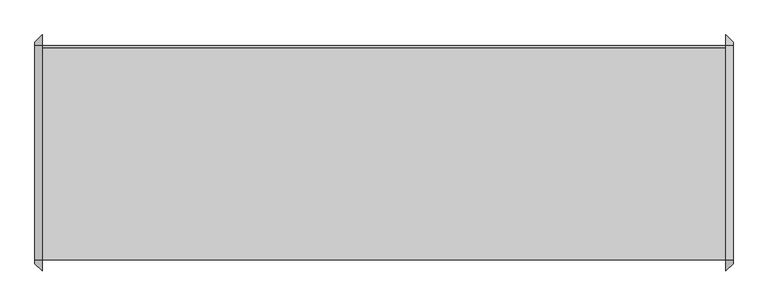
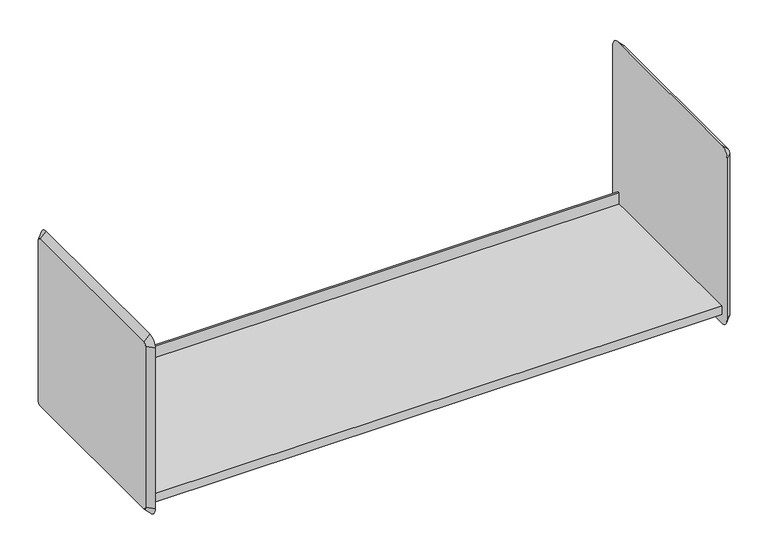
"""IFC4 building model written with IfcOpenShell, lengths in millimetres: furniture geometry."""

from ifc_helpers import new_model, si_unit, frame, origin, place, context, project, spatial, polyline, circle_curve, outline, extrude, source, transform, mapped, element, save
from ifc_brep_helpers import plane_surface, revolved_surface, advanced_brep


def furniture_22b9b4e2(model_context):
    return source(origin(), model_context, "Body", "SolidModel", [
        extrude(outline(polyline([(-174.625, 1651.0), (196.85, 1651.0), (196.85, 1676.4), (200.025, 1676.4), (200.025, 1631.9152313), (-174.625, 1631.9152313), (-174.625, 1651.0)])), frame((-720.8420045, 0.0, 0.0), z_axis=(1.0, 0.0, 0.0), x_axis=(0.0, 1.0, 0.0)), (0.0, 0.0, 1.0), 1193.8),
        advanced_brep(
        [(485.6579955, 200.025, 1993.9), (485.6579955, -174.625, 1993.9), (485.6579955, -180.975, 1987.55), (485.6579955, -180.975, 1631.95), (485.6579955, -174.625, 1625.6), (485.6579955, 200.025, 1625.6), (485.6579955, 206.375, 1631.95), (485.6579955, 206.375, 1987.55), (472.9579955, 200.025, 2006.6), (472.9579955, 219.075, 1987.55), (472.9579955, 219.075, 1631.95), (472.9579955, 200.025, 1612.9), (472.9579955, -174.625, 1612.9), (472.9579955, -193.675, 1631.95), (472.9579955, -193.675, 1987.55), (472.9579955, -174.625, 2006.6)],
        [
            (0, 1),
            (1, 2, circle_curve(frame((485.6579955, -174.625, 1987.55), z_axis=(1.0, 0.0, 0.0), x_axis=(0.0, 0.0, 1.0)), 6.35)),
            (2, 3),
            (3, 4, circle_curve(frame((485.6579955, -174.625, 1631.95), z_axis=(1.0, 0.0, 0.0), x_axis=(0.0, -1.0, 0.0)), 6.35)),
            (4, 5),
            (5, 6, circle_curve(frame((485.6579955, 200.025, 1631.95), z_axis=(1.0, 0.0, 0.0), x_axis=(0.0, 0.0, -1.0)), 6.35)),
            (6, 7),
            (7, 0, circle_curve(frame((485.6579955, 200.025, 1987.55), z_axis=(1.0, 0.0, 0.0), x_axis=(0.0, 1.0, 0.0)), 6.35)),
            (8, 9, circle_curve(frame((472.9579955, 200.025, 1987.55), z_axis=(-1.0, 0.0, 0.0), x_axis=(0.0, 1.0, 0.0)), 19.05)),
            (9, 10),
            (10, 11, circle_curve(frame((472.9579955, 200.025, 1631.95), z_axis=(-1.0, 0.0, 0.0), x_axis=(0.0, 0.0, -1.0)), 19.05)),
            (11, 12),
            (12, 13, circle_curve(frame((472.9579955, -174.625, 1631.95), z_axis=(-1.0, 0.0, 0.0), x_axis=(0.0, -1.0, 0.0)), 19.05)),
            (13, 14),
            (14, 15, circle_curve(frame((472.9579955, -174.625, 1987.55), z_axis=(-1.0, 0.0, 0.0), x_axis=(0.0, 0.0, 1.0)), 19.05)),
            (15, 8),
            (15, 1),
            (0, 8),
            (14, 2),
            (13, 3),
            (12, 4),
            (11, 5),
            (10, 6),
            (9, 7),
        ],
        [
            plane_surface(frame((485.6579955, 12.7, 1809.75), z_axis=(1.0, 0.0, 0.0), x_axis=(0.0, -1.0, 0.0))),
            plane_surface(frame((472.9579955, 12.7, 1809.75), z_axis=(-1.0, 0.0, 0.0), x_axis=(0.0, -1.0, 0.0))),
            plane_surface(frame((472.9579955, 12.7, 2006.6), z_axis=(0.7071067811862857, 0.0, 0.7071067811868095), x_axis=(0.0, -1.0, 0.0))),
            revolved_surface(polyline([(485.6579955, -174.625, 1993.8999999999999), (472.9579955, -174.625, 2006.6)]), (492.0079955, -174.625, 1987.55), (-1.0, 0.0, 0.0)),
            plane_surface(frame((472.9579955, -193.675, 1809.75), z_axis=(0.7071067811862574, -0.7071067811868377, 0.0), x_axis=(0.0, 0.0, -1.0))),
            revolved_surface(polyline([(485.6579955, -180.97499999999997, 1631.95), (472.9579955, -193.675, 1631.95)]), (492.0079955, -174.625, 1631.95), (-1.0, 0.0, 0.0)),
            plane_surface(frame((472.9579955, 12.7, 1612.9), z_axis=(0.7071067811862479, 0.0, -0.7071067811868471), x_axis=(0.0, 1.0, 0.0))),
            revolved_surface(polyline([(485.6579955, 200.025, 1625.6000000000001), (472.9579955, 200.025, 1612.9)]), (492.0079955, 200.025, 1631.95), (-1.0, 0.0, 0.0)),
            plane_surface(frame((472.9579955, 219.075, 1809.75), z_axis=(0.7071067811862565, 0.7071067811868387, 0.0), x_axis=(0.0, 0.0, 1.0))),
            revolved_surface(polyline([(485.6579955, 206.37499999999997, 1987.55), (472.9579955, 219.075, 1987.55)]), (492.0079955, 200.025, 1987.55), (-1.0, 0.0, 0.0)),
        ],
        [
            (0, [[1, 2, 3, 4, 5, 6, 7, 8]]),
            (1, [[9, 10, 11, 12, 13, 14, 15, 16]]),
            (2, [[-16, 17, -1, 18]]),
            (3, [[-15, 19, -2, -17]]),
            (4, [[-14, 20, -3, -19]]),
            (5, [[-13, 21, -4, -20]]),
            (6, [[-12, 22, -5, -21]]),
            (7, [[-11, 23, -6, -22]]),
            (8, [[-10, 24, -7, -23]]),
            (9, [[-9, -18, -8, -24]]),
        ],
    ),
        advanced_brep(
        [(-733.5420045, -174.625, 1993.9), (-733.5420045, 200.025, 1993.9), (-733.5420045, 206.375, 1987.55), (-733.5420045, 206.375, 1631.95), (-733.5420045, 200.025, 1625.6), (-733.5420045, -174.625, 1625.6), (-733.5420045, -180.975, 1631.95), (-733.5420045, -180.975, 1987.55), (-720.8420045, -174.625, 2006.6), (-720.8420045, -193.675, 1987.55), (-720.8420045, -193.675, 1631.95), (-720.8420045, -174.625, 1612.9), (-720.8420045, 200.025, 1612.9), (-720.8420045, 219.075, 1631.95), (-720.8420045, 219.075, 1987.55), (-720.8420045, 200.025, 2006.6)],
        [
            (0, 1),
            (1, 2, circle_curve(frame((-733.5420045, 200.025, 1987.55), z_axis=(-1.0, 0.0, 0.0), x_axis=(0.0, 0.0, 1.0)), 6.35)),
            (2, 3),
            (3, 4, circle_curve(frame((-733.5420045, 200.025, 1631.95), z_axis=(-1.0, 0.0, 0.0), x_axis=(0.0, 1.0, 0.0)), 6.35)),
            (4, 5),
            (5, 6, circle_curve(frame((-733.5420045, -174.625, 1631.95), z_axis=(-1.0, 0.0, 0.0), x_axis=(0.0, 0.0, -1.0)), 6.35)),
            (6, 7),
            (7, 0, circle_curve(frame((-733.5420045, -174.625, 1987.55), z_axis=(-1.0, 0.0, 0.0), x_axis=(0.0, -1.0, 0.0)), 6.35)),
            (8, 9, circle_curve(frame((-720.8420045, -174.625, 1987.55), z_axis=(1.0, 0.0, 0.0), x_axis=(0.0, -1.0, 0.0)), 19.05)),
            (9, 10),
            (10, 11, circle_curve(frame((-720.8420045, -174.625, 1631.95), z_axis=(1.0, 0.0, 0.0), x_axis=(0.0, 0.0, -1.0)), 19.05)),
            (11, 12),
            (12, 13, circle_curve(frame((-720.8420045, 200.025, 1631.95), z_axis=(1.0, 0.0, 0.0), x_axis=(0.0, 1.0, 0.0)), 19.05)),
            (13, 14),
            (14, 15, circle_curve(frame((-720.8420045, 200.025, 1987.55), z_axis=(1.0, 0.0, 0.0), x_axis=(0.0, 0.0, 1.0)), 19.05)),
            (15, 8),
            (15, 1),
            (0, 8),
            (14, 2),
            (13, 3),
            (12, 4),
            (11, 5),
            (10, 6),
            (9, 7),
        ],
        [
            plane_surface(frame((-733.5420045, 12.7, 1809.75), z_axis=(-1.0, 0.0, 0.0), x_axis=(0.0, -1.0, 0.0))),
            plane_surface(frame((-720.8420045, 12.7, 1809.75), z_axis=(1.0, 0.0, 0.0), x_axis=(0.0, -1.0, 0.0))),
            plane_surface(frame((-720.8420045, 12.7, 2006.6), z_axis=(-0.7071067811865287, 0.0, 0.7071067811865663), x_axis=(0.0, 1.0, 0.0))),
            revolved_surface(polyline([(-733.5420045, 200.025, 1993.9), (-720.8420045, 200.025, 2006.6)]), (-739.8920045, 200.025, 1987.55), (1.0, 0.0, 0.0)),
            plane_surface(frame((-720.8420045, 219.075, 1809.75), z_axis=(-0.7071067811865598, 0.7071067811865354, 0.0), x_axis=(0.0, 0.0, -1.0))),
            revolved_surface(polyline([(-733.5420045, 206.37500000000003, 1631.95), (-720.8420045, 219.075, 1631.95)]), (-739.8920045, 200.025, 1631.95), (1.0, 0.0, 0.0)),
            plane_surface(frame((-720.8420045, 12.7, 1612.9), z_axis=(-0.707106781186555, 0.0, -0.70710678118654), x_axis=(0.0, -1.0, 0.0))),
            revolved_surface(polyline([(-733.5420045, -174.625, 1625.6), (-720.8420045, -174.625, 1612.9)]), (-739.8920045, -174.625, 1631.95), (1.0, 0.0, 0.0)),
            plane_surface(frame((-720.8420045, -193.675, 1809.75), z_axis=(-0.7071067811866003, -0.7071067811864948, 0.0), x_axis=(0.0, 0.0, 1.0))),
            revolved_surface(polyline([(-733.5420045, -180.97500000000005, 1987.55), (-720.8420045, -193.675, 1987.55)]), (-739.8920045, -174.625, 1987.55), (1.0, 0.0, 0.0)),
        ],
        [
            (0, [[1, 2, 3, 4, 5, 6, 7, 8]]),
            (1, [[9, 10, 11, 12, 13, 14, 15, 16]]),
            (2, [[-16, 17, -1, 18]]),
            (3, [[-15, 19, -2, -17]]),
            (4, [[-14, 20, -3, -19]]),
            (5, [[-13, 21, -4, -20]]),
            (6, [[-12, 22, -5, -21]]),
            (7, [[-11, 23, -6, -22]]),
            (8, [[-10, 24, -7, -23]]),
            (9, [[-9, -18, -8, -24]]),
        ],
    ),
    ])


if __name__ == "__main__":
    model = new_model("IFC4")
    model_context = context("Model", 3, world=origin())
    ifc_project = project(units=[si_unit("LENGTHUNIT", "METRE", prefix="MILLI")], contexts=[model_context])
    site = spatial("IfcSite", under=ifc_project)
    building = spatial("IfcBuilding", under=site)
    placement = place(None, origin())
    furniture_shape = furniture_22b9b4e2(model_context)
    element("IfcFurniture", 1, at=placement, inside=building, context=model_context, shape_type="MappedRepresentation", body=[
        mapped(furniture_shape, transform((0.0, 0.0, 0.0), x_axis=(1.0, 0.0, 0.0), y_axis=(0.0, 1.0, 0.0), z_axis=(0.0, 0.0, 1.0))),
    ])
    save(model, "model.ifc")
